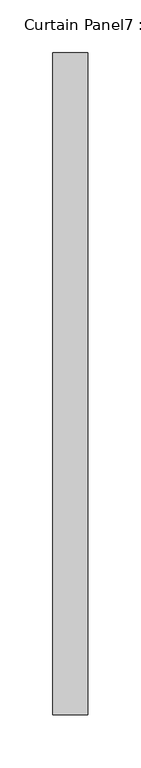
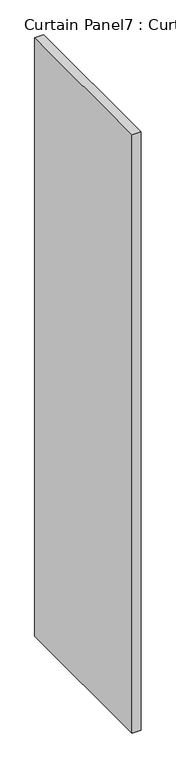
"""IFC4 building model written with IfcOpenShell, lengths in millimetres: plate geometry, Curtain Panel7 : Curtain Panel."""

from ifc_helpers import new_model, si_unit, frame, origin, place, context, project, spatial, polyline, outline, extrude, source, transform, mapped, element, save


def curtain_panel7_curtain_panel_d0b88c0e(model_context):
    return source(origin(), model_context, "Body", "SweptSolid", [
        extrude(outline(polyline([(-94355.4609225, 91969.5652371), (-94355.4609225, 91342.085965), (-94388.7984225, 91342.085965), (-94388.7984225, 91969.5652371), (-94355.4609225, 91969.5652371)])), frame((0.0, 0.0, 66.6798917), z_axis=(0.0, 0.0, 1.0), x_axis=(1.0, 0.0, 0.0)), (0.0, 0.0, 1.0), 2352.6701083),
    ])


if __name__ == "__main__":
    model = new_model("IFC4")
    model_context = context("Model", 3, world=origin())
    ifc_project = project(units=[si_unit("LENGTHUNIT", "METRE", prefix="MILLI")], contexts=[model_context])
    site = spatial("IfcSite", under=ifc_project)
    building = spatial("IfcBuilding", under=site)
    placement = place(None, origin())
    curtain_panel7_curtain_panel_shape = curtain_panel7_curtain_panel_d0b88c0e(model_context)
    element("IfcPlate", 1, ObjectType="Curtain Panel7 : Curtain Panel", at=placement, inside=building, context=model_context, shape_type="MappedRepresentation", body=[
        mapped(curtain_panel7_curtain_panel_shape, transform((0.0, 0.0, 0.0), x_axis=(1.0, 0.0, 0.0), y_axis=(0.0, 1.0, 0.0), z_axis=(0.0, 0.0, 1.0))),
    ])
    save(model, "model.ifc")
